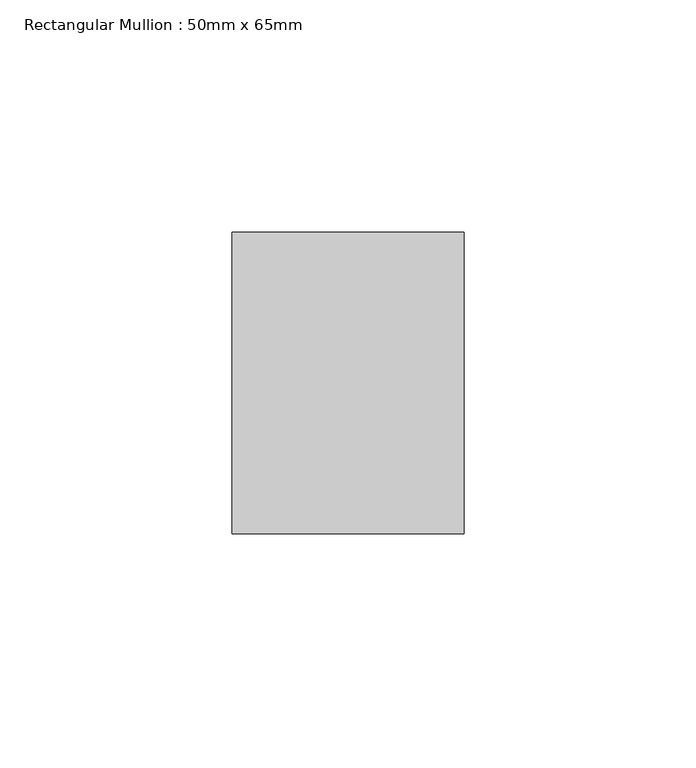
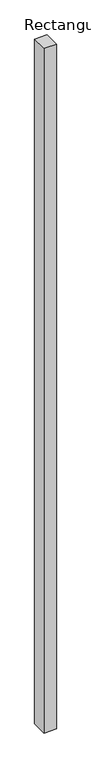
"""IFC4 building model written with IfcOpenShell, lengths in millimetres: member geometry, Rectangular Mullion : 50mm x 65mm."""

from ifc_helpers import new_model, si_unit, frame, origin, place, context, project, spatial, polyline, outline, extrude, source, transform, mapped, element, save


def rectangular_mullion_50mm_x_65mm_d55d0278(model_context):
    return source(origin(), model_context, "Body", "SweptSolid", [
        extrude(outline(polyline([(25.0, 32.5), (25.0, -32.5), (-25.0, -32.5), (-25.0, 32.5), (25.0, 32.5)])), frame((0.0, 0.0, -2924.9797168), z_axis=(0.0, 0.0, 1.0), x_axis=(1.0, 0.0, 0.0)), (0.0, 0.0, 1.0), 2924.9797168),
    ])


if __name__ == "__main__":
    model = new_model("IFC4")
    model_context = context("Model", 3, world=origin())
    ifc_project = project(units=[si_unit("LENGTHUNIT", "METRE", prefix="MILLI")], contexts=[model_context])
    site = spatial("IfcSite", under=ifc_project)
    building = spatial("IfcBuilding", under=site)
    placement = place(None, origin())
    rectangular_mullion_50mm_x_65mm_shape = rectangular_mullion_50mm_x_65mm_d55d0278(model_context)
    element("IfcMember", 1, ObjectType="Rectangular Mullion : 50mm x 65mm", at=placement, inside=building, context=model_context, shape_type="MappedRepresentation", body=[
        mapped(rectangular_mullion_50mm_x_65mm_shape, transform((0.0, 0.0, 0.0), x_axis=(1.0, 0.0, 0.0), y_axis=(0.0, 1.0, 0.0), z_axis=(0.0, 0.0, 1.0))),
    ])
    save(model, "model.ifc")
